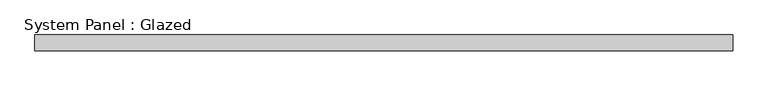
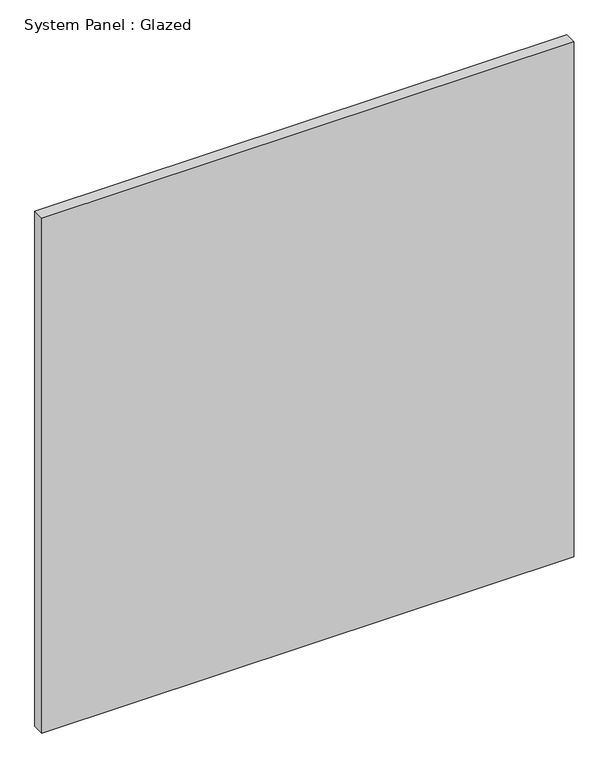
"""IFC4 building model written with IfcOpenShell, lengths in millimetres: plate geometry, System Panel : Glazed."""

from ifc_helpers import new_model, si_unit, origin, origin_with_axes, place, context, project, spatial, polyline, outline, extrude, source, transform, mapped, element, save


def system_panel_glazed_c0eaacff(model_context):
    return source(origin(), model_context, "Body", "SweptSolid", [
        extrude(outline(polyline([(558.8, -12.7), (-558.8, -12.7), (-558.8, 12.7), (558.8, 12.7), (558.8, -12.7)])), origin_with_axes(), (0.0, 0.0, 1.0), 1143.0),
    ])


if __name__ == "__main__":
    model = new_model("IFC4")
    model_context = context("Model", 3, world=origin())
    ifc_project = project(units=[si_unit("LENGTHUNIT", "METRE", prefix="MILLI")], contexts=[model_context])
    site = spatial("IfcSite", under=ifc_project)
    building = spatial("IfcBuilding", under=site)
    placement = place(None, origin())
    system_panel_glazed_shape = system_panel_glazed_c0eaacff(model_context)
    element("IfcPlate", 1, ObjectType="System Panel : Glazed", at=placement, inside=building, context=model_context, shape_type="MappedRepresentation", body=[
        mapped(system_panel_glazed_shape, transform((0.0, 0.0, 0.0), x_axis=(1.0, 0.0, 0.0), y_axis=(0.0, 1.0, 0.0), z_axis=(0.0, 0.0, 1.0))),
    ])
    save(model, "model.ifc")
